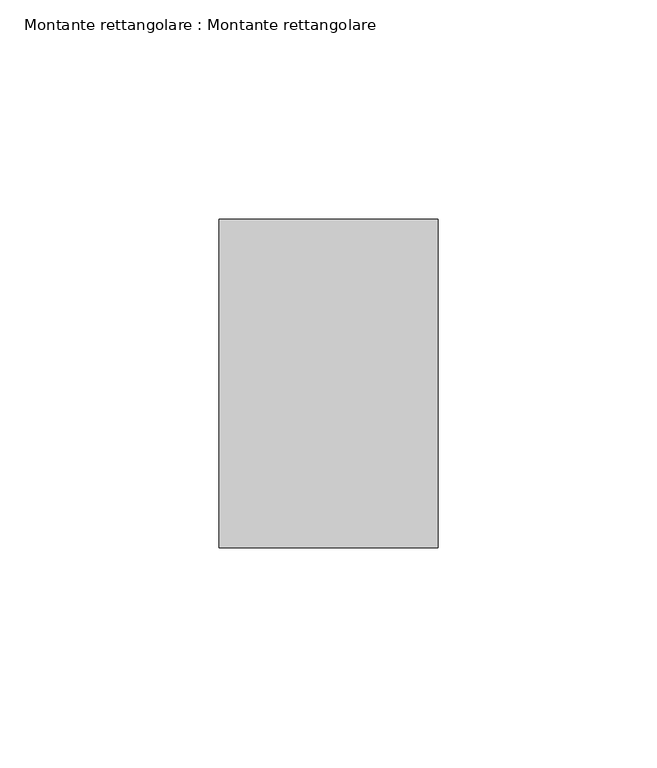
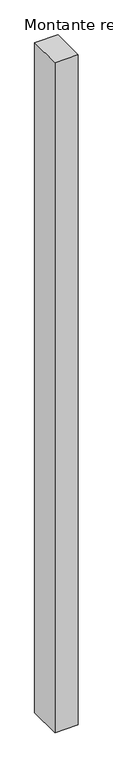
"""IFC4 building model written with IfcOpenShell, lengths in millimetres: member geometry, Montante rettangolare : Montante rettangolare."""

from ifc_helpers import new_model, si_unit, frame, origin, place, context, project, spatial, polyline, outline, extrude, source, transform, mapped, element, save


def montante_rettangolare_montante_rettangolare_26cec231(model_context):
    return source(origin(), model_context, "Body", "SweptSolid", [
        extrude(outline(polyline([(25.0, 37.5), (25.0, -37.5), (-25.0, -37.5), (-25.0, 37.5), (25.0, 37.5)])), frame((0.0, 0.0, -1520.0), z_axis=(0.0, 0.0, 1.0), x_axis=(1.0, 0.0, 0.0)), (0.0, 0.0, 1.0), 1520.0),
    ])


if __name__ == "__main__":
    model = new_model("IFC4")
    model_context = context("Model", 3, world=origin())
    ifc_project = project(units=[si_unit("LENGTHUNIT", "METRE", prefix="MILLI")], contexts=[model_context])
    site = spatial("IfcSite", under=ifc_project)
    building = spatial("IfcBuilding", under=site)
    placement = place(None, origin())
    montante_rettangolare_montante_rettangolare_shape = montante_rettangolare_montante_rettangolare_26cec231(model_context)
    element("IfcMember", 1, ObjectType="Montante rettangolare : Montante rettangolare", at=placement, inside=building, context=model_context, shape_type="MappedRepresentation", body=[
        mapped(montante_rettangolare_montante_rettangolare_shape, transform((0.0, 0.0, 0.0), x_axis=(1.0, 0.0, 0.0), y_axis=(0.0, 1.0, 0.0), z_axis=(0.0, 0.0, 1.0))),
    ])
    save(model, "model.ifc")
